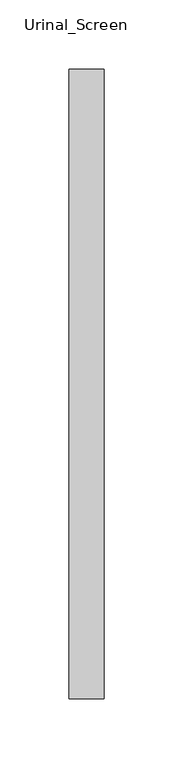
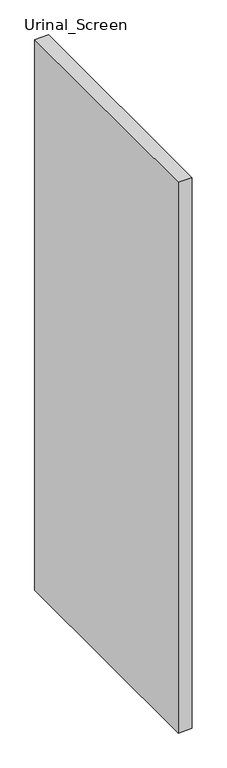
"""IFC4 building model written with IfcOpenShell, lengths in millimetres: proxy geometry, Urinal_Screen."""

from ifc_helpers import new_model, si_unit, frame, origin, place, context, project, spatial, polyline, outline, extrude, source, transform, mapped, element, save


def urinal_screen_e604d2a5(model_context):
    return source(origin(), model_context, "Body", "SweptSolid", [
        extrude(outline(polyline([(-610.4327869, -549.275), (-610.4327869, -93.6625), (-585.0327869, -93.6625), (-585.0327869, -549.275), (-610.4327869, -549.275)])), frame((0.0, 0.0, 355.6), z_axis=(0.0, 0.0, 1.0), x_axis=(1.0, 0.0, 0.0)), (0.0, 0.0, 1.0), 1066.8),
    ])


if __name__ == "__main__":
    model = new_model("IFC4")
    model_context = context("Model", 3, world=origin())
    ifc_project = project(units=[si_unit("LENGTHUNIT", "METRE", prefix="MILLI")], contexts=[model_context])
    site = spatial("IfcSite", under=ifc_project)
    building = spatial("IfcBuilding", under=site)
    placement = place(None, origin())
    urinal_screen_shape = urinal_screen_e604d2a5(model_context)
    element("IfcBuildingElementProxy", 1, Name="Urinal_Screen", ObjectType="Urinal_Screen", at=placement, inside=building, context=model_context, shape_type="MappedRepresentation", body=[
        mapped(urinal_screen_shape, transform((0.0, 0.0, 0.0), x_axis=(1.0, 0.0, 0.0), y_axis=(0.0, 1.0, 0.0), z_axis=(0.0, 0.0, 1.0))),
    ])
    save(model, "model.ifc")
